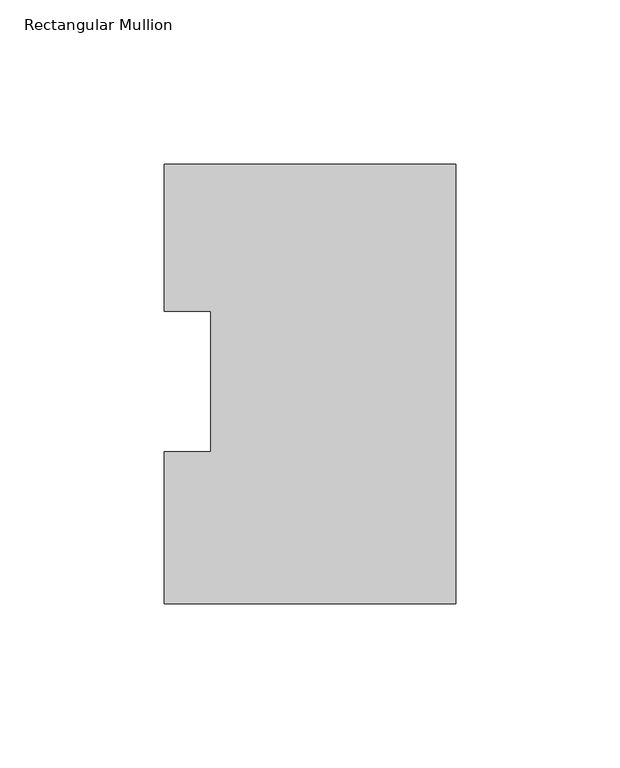
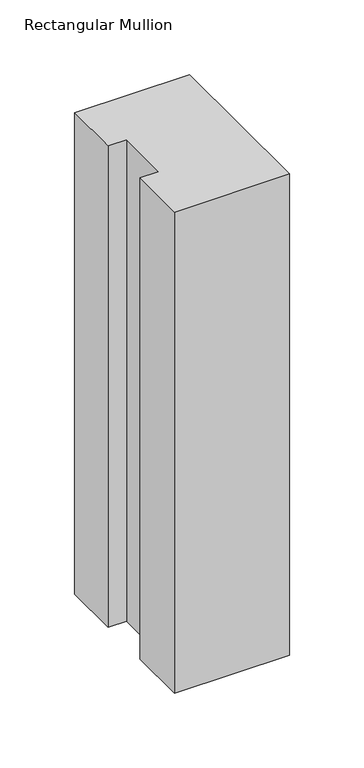
"""IFC4 building model written with IfcOpenShell, lengths in millimetres: member geometry, Rectangular Mullion."""

from ifc_helpers import new_model, si_unit, frame, origin, place, context, project, spatial, polyline, outline, extrude, source, transform, mapped, element, save


def rectangular_mullion_ecac5d96(model_context):
    return source(origin(), model_context, "Body", "SweptSolid", [
        extrude(outline(polyline([(0.0, 130.0368875), (0.0, -3.9735125), (-88.9, -3.9735125), (-88.9, 42.2798875), (-74.6252, 42.2798875), (-74.6252, 85.1296875), (-88.9, 85.1296875), (-88.9, 130.0368875), (0.0, 130.0368875)])), frame((0.0, 0.0, -393.7), z_axis=(0.0, 0.0, 1.0), x_axis=(1.0, 0.0, 0.0)), (0.0, 0.0, 1.0), 393.7),
    ])


if __name__ == "__main__":
    model = new_model("IFC4")
    model_context = context("Model", 3, world=origin())
    ifc_project = project(units=[si_unit("LENGTHUNIT", "METRE", prefix="MILLI")], contexts=[model_context])
    site = spatial("IfcSite", under=ifc_project)
    building = spatial("IfcBuilding", under=site)
    placement = place(None, origin())
    rectangular_mullion_shape = rectangular_mullion_ecac5d96(model_context)
    element("IfcMember", 1, ObjectType="Rectangular Mullion", at=placement, inside=building, context=model_context, shape_type="MappedRepresentation", body=[
        mapped(rectangular_mullion_shape, transform((0.0, 0.0, 0.0), x_axis=(1.0, 0.0, 0.0), y_axis=(0.0, 1.0, 0.0), z_axis=(0.0, 0.0, 1.0))),
    ])
    save(model, "model.ifc")
